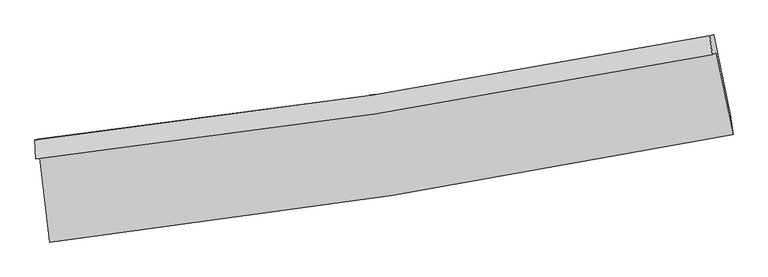
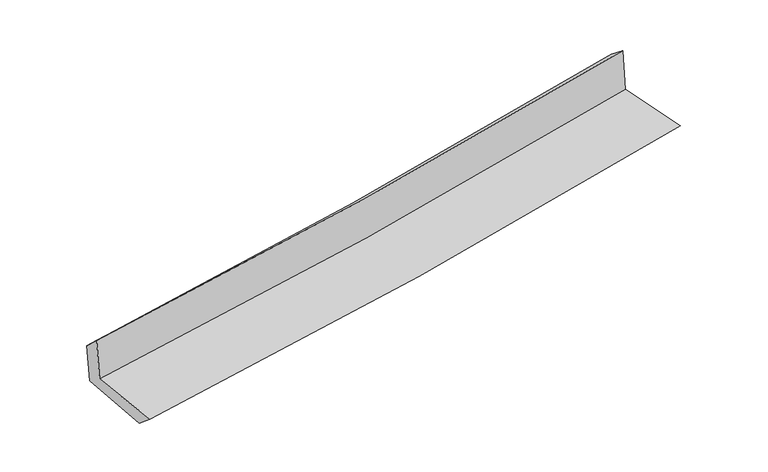
"""IFC4 building model written with IfcOpenShell, lengths in millimetres: proxy geometry."""

from ifc_helpers import new_model, si_unit, frame, origin, place, context, project, spatial, source, transform, mapped, element, save
from ifc_brep_helpers import plane_surface, spline_curve, spline_surface, advanced_brep


def generic_models_eaae86c2(model_context):
    return source(origin(), model_context, "Body", "AdvancedBrep", [
        advanced_brep(
        [(-2695.2971162, -1896.1310495, 1663.7570028), (-2616.0548176, -2566.2883924, 1649.2036127), (2774.6097093, -1716.544489, 2114.958573), (2643.4226413, -1069.8439332, 2124.397675), (-2728.5374526, -1908.6734192, 2060.4687612), (2610.308683, -1086.0380957, 2524.5219866), (-2733.8057671, -1757.7147741, 1919.9036821), (2590.6327019, -933.7993845, 2403.4808356), (-2703.0268517, -1752.4603125, 1561.0266984), (2622.2125154, -928.4173685, 2044.1977519), (-2623.0630577, -2406.3263581, 1516.55489), (2752.8301983, -1559.0567464, 2005.4192722)],
        [
            (0, 1),
            (1, 2, spline_curve(3, [(-2616.0548176, -2566.2883924, 1649.2036127), (-1713.08140207, -2462.675863607, 1725.497875837), (-813.163635758, -2340.216619966, 1802.388052028), (983.746286031, -2057.102778327, 1957.635464381), (1880.716695154, -1896.314054476, 2035.996941732), (2774.6097093, -1716.544489, 2114.958573)], [4, 2, 4], [0.0, 8.9260069564762, 17.88371941443213])),
            (2, 3),
            (3, 0, spline_curve(3, [(2643.4226413, -1069.8439332, 2124.397675), (1758.204060615, -1247.024370425, 2046.251428764), (869.907271694, -1404.55915631, 1968.724624556), (-909.68773251, -1679.849370853, 1815.182111289), (-1800.964196203, -1797.743623982, 1739.162024693), (-2695.2971162, -1896.1310495, 1663.7570028)], [4, 2, 4], [0.0, 8.957712457955928, 17.88371941443213])),
            (4, 0),
            (3, 5),
            (5, 4, spline_curve(3, [(2610.308683, -1086.0380957, 2524.5219866), (1724.931869465, -1261.404313915, 2444.645156859), (836.545535502, -1417.728202533, 2365.969206003), (-943.091109495, -1691.805416122, 2211.293283629), (-1834.320154143, -1809.693302399, 2135.284825817), (-2728.5374526, -1908.6734192, 2060.4687612)], [4, 2, 4], [0.0, 8.912288757392675, 17.793032788862124])),
            (6, 4),
            (5, 7),
            (7, 6, spline_curve(3, [(2590.6327019, -933.7993845, 2403.4808356), (1707.378997017, -1110.596424866, 2326.315147184), (821.257235329, -1267.741506622, 2247.359595931), (-953.575854399, -1542.241101407, 2086.154563561), (-1842.266915799, -1659.734482675, 2003.917730285), (-2733.8057671, -1757.7147741, 1919.9036821)], [4, 2, 4], [0.0, 8.902061642843735, 17.77261475826883])),
            (8, 6),
            (7, 9),
            (9, 8, spline_curve(3, [(2622.2125154, -928.4173685, 2044.1977519), (1739.413434183, -1105.140913273, 1960.332083928), (853.451602779, -1262.259980022, 1878.066443939), (-921.650535661, -1536.802428034, 1717.020732498), (-1810.768493253, -1654.364342945, 1638.229354593), (-2703.0268517, -1752.4603125, 1561.0266984)], [4, 2, 4], [0.0, 8.892696296557162, 17.753917214002456])),
            (10, 8),
            (9, 11),
            (11, 10, spline_curve(3, [(2752.8301983, -1559.0567464, 2005.4192722), (1861.566967785, -1738.34182586, 1920.718309176), (967.144427053, -1898.681813678, 1837.559634268), (-824.842316532, -2180.971144165, 1674.615738801), (-1722.384194436, -2303.054360177, 1594.819619657), (-2623.0630577, -2406.3263581, 1516.55489)], [4, 2, 4], [0.0, 8.937550983797163, 17.843467826928173])),
            (1, 10),
            (11, 2),
        ],
        [
            spline_surface(3, 3, [[(-2695.2971162, -1896.1310495, 1663.7570028), (-1800.964196175, -1797.743623963, 1739.162024627), (-909.687732585, -1679.849370948, 1815.182111165), (869.907271768, -1404.559156215, 1968.724624681), (1758.204060675, -1247.024370475, 2046.25142886), (2643.4226413, -1069.8439332, 2124.397675)], [(-2668.883016653, -2119.516830456, 1658.905872772), (-1771.669931501, -2019.387703883, 1734.60730833), (-877.513033656, -1899.971787301, 1810.917424767), (907.853609824, -1622.073696953, 1965.028237944), (1799.041605519, -1463.454265104, 2042.833266451), (2687.151663976, -1285.410785128, 2121.251307657)], [(-2642.468917147, -2342.902611444, 1654.054742728), (-1742.375666869, -2241.031783834, 1730.052592016), (-845.33833466, -2120.094203581, 1806.652738354), (945.799947949, -1839.588237619, 1961.33185119), (1839.879150337, -1679.884159748, 2039.415104072), (2730.880686624, -1500.977637072, 2118.104940343)], [(-2616.0548176, -2566.2883924, 1649.2036127), (-1713.081402195, -2462.675863753, 1725.497875719), (-813.163635731, -2340.216619935, 1802.388051956), (983.746286004, -2057.102778358, 1957.635464453), (1880.716695181, -1896.314054377, 2035.996941663), (2774.6097093, -1716.544489, 2114.958573)]], [4, 4], [4, 2, 4], [0.0, 2.1815184603938147], [0.0, 8.9260069564762, 17.88371941443213]),
            spline_surface(3, 3, [[(-2728.5374526, -1908.6734192, 2060.4687612), (-1834.320154133, -1809.693302288, 2135.284825688), (-943.091109501, -1691.805416211, 2211.293283537), (836.545535508, -1417.728202444, 2365.969206095), (1724.93186941, -1261.404314009, 2444.645156743), (2610.308683, -1086.0380957, 2524.5219866)], [(-2717.457340492, -1904.492629305, 1928.23150839), (-1823.201501505, -1805.710076185, 2003.243891991), (-931.956650516, -1687.820067797, 2079.256226092), (847.666114274, -1413.338520375, 2233.554345636), (1736.022599809, -1256.610999491, 2311.847247463), (2621.346669077, -1080.640041526, 2391.147216081)], [(-2706.377228308, -1900.311839395, 1795.99425561), (-1812.082848802, -1801.726850067, 1871.202958324), (-920.822191569, -1683.834719362, 1947.219168609), (858.786693002, -1408.948838284, 2101.13948514), (1747.113330276, -1251.817684993, 2179.049338141), (2632.384655223, -1075.241987374, 2257.772445519)], [(-2695.2971162, -1896.1310495, 1663.7570028), (-1800.964196175, -1797.743623963, 1739.162024627), (-909.687732585, -1679.849370948, 1815.182111165), (869.907271768, -1404.559156215, 1968.724624681), (1758.204060675, -1247.024370475, 2046.25142886), (2643.4226413, -1069.8439332, 2124.397675)]], [4, 4], [4, 2, 4], [0.0, 1.3066939016041164], [0.0, 8.88074403146945, 17.793032788862124]),
            spline_surface(3, 3, [[(-2733.8057671, -1757.7147741, 1919.9036821), (-1842.266915738, -1659.734482666, 2003.917730276), (-953.575854461, -1542.241101305, 2086.154563552), (821.257235392, -1267.741506724, 2247.35959594), (1707.378997086, -1110.59642486, 2326.315147162), (2590.6327019, -933.7993845, 2403.4808356)], [(-2732.049662249, -1808.034322471, 1966.75870847), (-1839.617995185, -1709.720755877, 2047.706762084), (-950.080939468, -1592.095872936, 2127.867470198), (826.353335437, -1317.73707196, 2286.896132642), (1713.22995453, -1160.865721242, 2365.758483676), (2597.191362269, -984.545621565, 2443.82788592)], [(-2730.293557451, -1858.353870829, 2013.61373483), (-1836.969074685, -1759.707029077, 2091.49579388), (-946.586024494, -1641.95064458, 2169.580376892), (831.449435463, -1367.732637208, 2326.432669393), (1719.080911967, -1211.135017628, 2405.201820229), (2603.750022631, -1035.291858635, 2484.17493628)], [(-2728.5374526, -1908.6734192, 2060.4687612), (-1834.320154133, -1809.693302288, 2135.284825688), (-943.091109501, -1691.805416211, 2211.293283537), (836.545535508, -1417.728202444, 2365.969206095), (1724.93186941, -1261.404314009, 2444.645156743), (2610.308683, -1086.0380957, 2524.5219866)]], [4, 4], [4, 2, 4], [0.0, 0.6349057395547878], [0.0, 8.870553115425095, 17.77261475826883]),
            spline_surface(3, 3, [[(-2703.0268517, -1752.4603125, 1561.0266984), (-1810.768493229, -1654.364342995, 1638.22935474), (-921.650535576, -1536.802428143, 1717.020732516), (853.451602694, -1262.259979912, 1878.066443921), (1739.413434117, -1105.140913412, 1960.33208396), (2622.2125154, -928.4173685, 2044.1977519)], [(-2713.286490178, -1754.211799701, 1680.652359628), (-1821.26796741, -1656.154389553, 1760.125479914), (-932.292308561, -1538.615319186, 1840.065342872), (842.720146904, -1264.087155505, 2001.164161272), (1728.735288464, -1106.959417232, 2082.326438346), (2611.685910924, -930.211373837, 2163.958779786)], [(-2723.546128622, -1755.963286899, 1800.278020872), (-1831.767441557, -1657.944436107, 1882.021605103), (-942.934081477, -1540.428210262, 1963.109953195), (831.988691182, -1265.914331131, 2124.261878589), (1718.057142739, -1108.77792104, 2204.320792775), (2601.159306376, -932.005379163, 2283.719807714)], [(-2733.8057671, -1757.7147741, 1919.9036821), (-1842.266915738, -1659.734482666, 2003.917730276), (-953.575854461, -1542.241101305, 2086.154563552), (821.257235392, -1267.741506724, 2247.35959594), (1707.378997086, -1110.59642486, 2326.315147162), (2590.6327019, -933.7993845, 2403.4808356)]], [4, 4], [4, 2, 4], [0.0, 1.2160213654510197], [0.0, 8.861220917445294, 17.753917214002456]),
            spline_surface(3, 3, [[(-2623.0630577, -2406.3263581, 1516.55489), (-1722.384194464, -2303.054360127, 1594.819619558), (-824.842316548, -2180.971144063, 1674.615738712), (967.144427068, -1898.681813781, 1837.559634358), (1861.566967823, -1738.341825914, 1920.718309263), (2752.8301983, -1559.0567464, 2005.4192722)], [(-2649.71765571, -2188.371009568, 1531.378826136), (-1751.845627396, -2086.824354418, 1609.289531287), (-857.111722869, -1966.248238751, 1688.750736655), (929.246818966, -1686.541202486, 1851.061904221), (1820.849123225, -1527.274855075, 1933.922900838), (2709.290970638, -1348.843620428, 2018.345432109)], [(-2676.37225369, -1970.415661032, 1546.202762264), (-1781.307060298, -1870.594348705, 1623.75944301), (-889.381129255, -1751.525333455, 1702.885734572), (891.349210797, -1474.400591207, 1864.564174058), (1780.131278714, -1316.207884251, 1947.127492385), (2665.751743062, -1138.630494472, 2031.271591991)], [(-2703.0268517, -1752.4603125, 1561.0266984), (-1810.768493229, -1654.364342995, 1638.22935474), (-921.650535576, -1536.802428143, 1717.020732516), (853.451602694, -1262.259979912, 1878.066443921), (1739.413434117, -1105.140913412, 1960.33208396), (2622.2125154, -928.4173685, 2044.1977519)]], [4, 4], [4, 2, 4], [0.0, 2.1332089280980666], [0.0, 8.90591684313101, 17.843467826928173]),
            spline_surface(3, 3, [[(-2616.0548176, -2566.2883924, 1649.2036127), (-1713.081402195, -2462.675863753, 1725.497875719), (-813.163635731, -2340.216619935, 1802.388051956), (983.746286004, -2057.102778358, 1957.635464453), (1880.716695181, -1896.314054377, 2035.996941663), (2774.6097093, -1716.544489, 2114.958573)], [(-2618.390897618, -2512.967714299, 1604.987371803), (-1716.182332936, -2409.468695876, 1681.938457002), (-817.056529332, -2287.134794633, 1759.797280853), (978.212333031, -2004.295790154, 1917.610187733), (1874.333452745, -1843.656644904, 1997.570730876), (2767.349872316, -1664.048574815, 2078.445472747)], [(-2620.726977682, -2459.647036201, 1560.771130897), (-1719.283263723, -2356.261528004, 1638.379038274), (-820.949422948, -2234.052969365, 1717.206509815), (972.678380042, -1951.488801985, 1877.584911078), (1867.950210259, -1790.999235387, 1959.14452005), (2760.090035284, -1611.552660585, 2041.932372453)], [(-2623.0630577, -2406.3263581, 1516.55489), (-1722.384194464, -2303.054360127, 1594.819619558), (-824.842316548, -2180.971144063, 1674.615738712), (967.144427068, -1898.681813781, 1837.559634358), (1861.566967823, -1738.341825914, 1920.718309263), (2752.8301983, -1559.0567464, 2005.4192722)]], [4, 4], [4, 2, 4], [0.0, 0.6625470213062744], [0.0, 8.960519031646307, 17.952866152919057]),
            plane_surface(frame((2665.6694082, -1215.6166695, 2202.8293491), z_axis=(0.976421164226216, 0.19677716551129829, 0.08877193917258136), x_axis=(-0.08754941434532611, -0.01492068187563184, 0.9960484291941616))),
            plane_surface(frame((-2683.2975105, -2047.9323843, 1728.4857745), z_axis=(-0.9895720281017313, -0.11513159067807519, -0.0865558665057584), x_axis=(-0.11739896024628074, 0.9928507451544549, 0.02156112194056492))),
        ],
        [
            (0, [[1, 2, 3, 4]]),
            (1, [[5, -4, 6, 7]]),
            (2, [[8, -7, 9, 10]]),
            (3, [[11, -10, 12, 13]]),
            (4, [[14, -13, 15, 16]]),
            (5, [[17, -16, 18, -2]]),
            (6, [[-12, -9, -6, -3, -18, -15]]),
            (7, [[-1, -5, -8, -11, -14, -17]]),
        ],
    ),
    ])


if __name__ == "__main__":
    model = new_model("IFC4")
    model_context = context("Model", 3, world=origin())
    ifc_project = project(units=[si_unit("LENGTHUNIT", "METRE", prefix="MILLI")], contexts=[model_context])
    site = spatial("IfcSite", under=ifc_project)
    building = spatial("IfcBuilding", under=site)
    placement = place(None, origin())
    generic_models_shape = generic_models_eaae86c2(model_context)
    element("IfcBuildingElementProxy", 1, Name="Generic Models", at=placement, inside=building, context=model_context, shape_type="MappedRepresentation", body=[
        mapped(generic_models_shape, transform((0.0, 0.0, 0.0), x_axis=(1.0, 0.0, 0.0), y_axis=(0.0, 1.0, 0.0), z_axis=(0.0, 0.0, 1.0))),
    ])
    save(model, "model.ifc")
